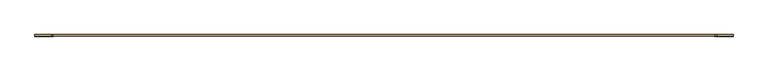
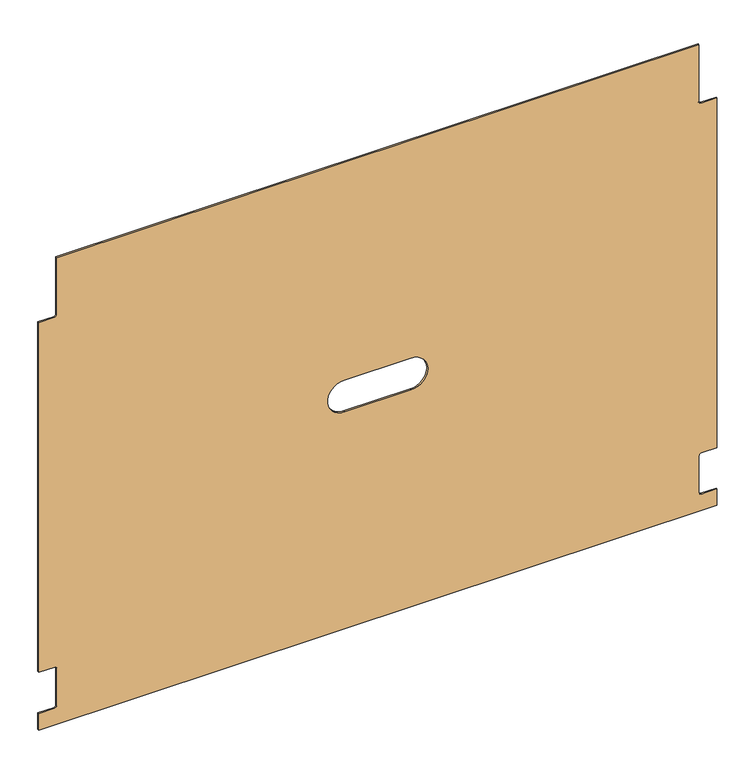
"""IFC4 building model written with IfcOpenShell, lengths in millimetres: door geometry."""

from ifc_helpers import new_model, si_unit, point, frame, frame_2d, origin, place, context, project, spatial, polyline, circle_curve, trimmed, segment, composite_curve, outline, extrude, source, transform, mapped, element, save


def door_8b1a927e(model_context):
    return source(origin(), model_context, "Body", "SweptSolid", [
        extrude(outline(composite_curve([segment(trimmed(circle_curve(frame_2d((688.1316256, -389.1385454)), 3.175), [point((688.1316256, -385.9635454))], [point((684.9566256, -389.1385454))], True, "CARTESIAN"), True, "CONTINUOUS"), segment(polyline([(684.9566256, -389.1385454), (684.9566256, -413.3320454), (121.3520123, -413.3320454), (121.3520123, -389.1385454)]), True, "CONTINUOUS"), segment(trimmed(circle_curve(frame_2d((118.1770123, -389.1385454)), 3.175), [point((121.3520123, -389.1385454))], [point((118.1770123, -385.9635454))], True, "CARTESIAN"), True, "CONTINUOUS"), segment(polyline([(118.1770123, -385.9635454), (57.8520123, -385.9635454)]), True, "CONTINUOUS"), segment(trimmed(circle_curve(frame_2d((57.8520123, -389.1385454)), 3.175), [point((57.8520123, -385.9635454))], [point((54.6770123, -389.1385454))], True, "CARTESIAN"), True, "CONTINUOUS"), segment(polyline([(54.6770123, -389.1385454), (54.6770123, -413.3320454), (28.0705123, -413.3320454), (28.0705123, 621.6803587), (54.6770123, 621.6803587), (54.6770123, 597.4868587)]), True, "CONTINUOUS"), segment(trimmed(circle_curve(frame_2d((57.8520123, 597.4868587)), 3.175), [point((54.6770123, 597.4868587))], [point((57.8520123, 594.3118587))], True, "CARTESIAN"), True, "CONTINUOUS"), segment(polyline([(57.8520123, 594.3118587), (118.1770123, 594.3118587)]), True, "CONTINUOUS"), segment(trimmed(circle_curve(frame_2d((118.1770123, 597.4868587)), 3.175), [point((118.1770123, 594.3118587))], [point((121.3520123, 597.4868587))], True, "CARTESIAN"), True, "CONTINUOUS"), segment(polyline([(121.3520123, 597.4868587), (121.3520123, 621.6803587), (684.9566256, 621.6803587), (684.9566256, 597.4868587)]), True, "CONTINUOUS"), segment(trimmed(circle_curve(frame_2d((688.1316256, 597.4868587)), 3.175), [point((684.9566256, 597.4868587))], [point((688.1316256, 594.3118587))], True, "CARTESIAN"), True, "CONTINUOUS"), segment(polyline([(688.1316256, 594.3118587), (780.4566124, 594.3118587), (780.4566124, -385.9635454), (688.1316256, -385.9635454)]), True, "CONTINUOUS")], self_intersect=False), holes=[composite_curve([segment(polyline([(428.6793124, 53.3741567), (428.6793124, 154.9741567)]), True, "CONTINUOUS"), segment(trimmed(circle_curve(frame_2d((403.2793124, 154.9741567)), 25.4), [point((428.6793124, 154.9741567))], [point((377.8793124, 154.9741567))], True, "CARTESIAN"), True, "CONTINUOUS"), segment(polyline([(377.8793124, 154.9741567), (377.8793124, 53.3741567)]), True, "CONTINUOUS"), segment(trimmed(circle_curve(frame_2d((403.2793124, 53.3741567)), 25.4), [point((377.8793124, 53.3741567))], [point((428.6793124, 53.3741567))], True, "CARTESIAN"), True, "CONTINUOUS")], self_intersect=False)]), frame((0.0, -2.2388125, 0.0), z_axis=(0.0, 1.0, 0.0), x_axis=(0.0, 0.0, 1.0)), (0.0, 0.0, 1.0), 2.2388125),
    ])


if __name__ == "__main__":
    model = new_model("IFC4")
    model_context = context("Model", 3, world=origin())
    ifc_project = project(units=[si_unit("LENGTHUNIT", "METRE", prefix="MILLI")], contexts=[model_context])
    site = spatial("IfcSite", under=ifc_project)
    building = spatial("IfcBuilding", under=site)
    placement = place(None, origin())
    door_shape = door_8b1a927e(model_context)
    element("IfcDoor", 1, at=placement, inside=building, context=model_context, shape_type="MappedRepresentation", body=[
        mapped(door_shape, transform((0.0, 0.0, 0.0), x_axis=(1.0, 0.0, 0.0), y_axis=(0.0, 1.0, 0.0), z_axis=(0.0, 0.0, 1.0))),
    ])
    save(model, "model.ifc")
